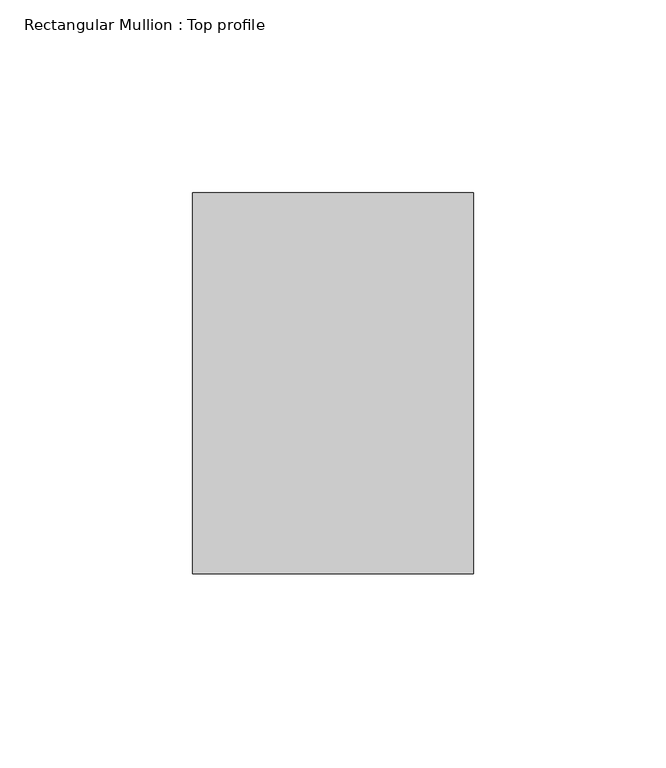
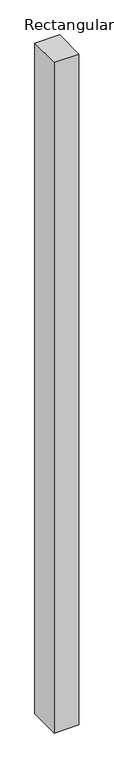
"""IFC4 building model written with IfcOpenShell, lengths in millimetres: member geometry, Rectangular Mullion : Top profile."""

from ifc_helpers import new_model, si_unit, frame, origin, place, context, project, spatial, polyline, outline, extrude, source, transform, mapped, element, save


def rectangular_mullion_top_profile_3c8fbbe0(model_context):
    return source(origin(), model_context, "Body", "SweptSolid", [
        extrude(outline(polyline([(-73.0, 49.5), (0.0, 49.5), (0.0, -49.5), (-73.0, -49.5), (-73.0, 49.5)])), frame((0.0, 0.0, -2100.0), z_axis=(0.0, 0.0, 1.0), x_axis=(1.0, 0.0, 0.0)), (0.0, 0.0, 1.0), 2100.0),
    ])


if __name__ == "__main__":
    model = new_model("IFC4")
    model_context = context("Model", 3, world=origin())
    ifc_project = project(units=[si_unit("LENGTHUNIT", "METRE", prefix="MILLI")], contexts=[model_context])
    site = spatial("IfcSite", under=ifc_project)
    building = spatial("IfcBuilding", under=site)
    placement = place(None, origin())
    rectangular_mullion_top_profile_shape = rectangular_mullion_top_profile_3c8fbbe0(model_context)
    element("IfcMember", 1, ObjectType="Rectangular Mullion : Top profile", at=placement, inside=building, context=model_context, shape_type="MappedRepresentation", body=[
        mapped(rectangular_mullion_top_profile_shape, transform((0.0, 0.0, 0.0), x_axis=(1.0, 0.0, 0.0), y_axis=(0.0, 1.0, 0.0), z_axis=(0.0, 0.0, 1.0))),
    ])
    save(model, "model.ifc")
